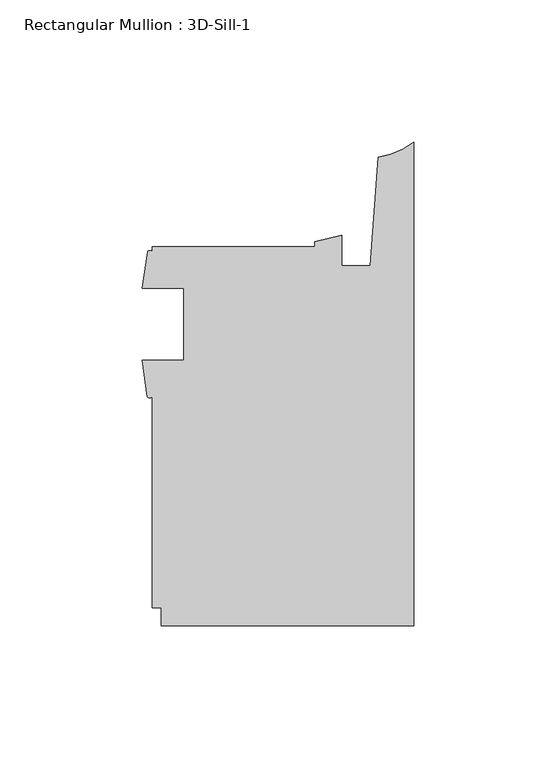
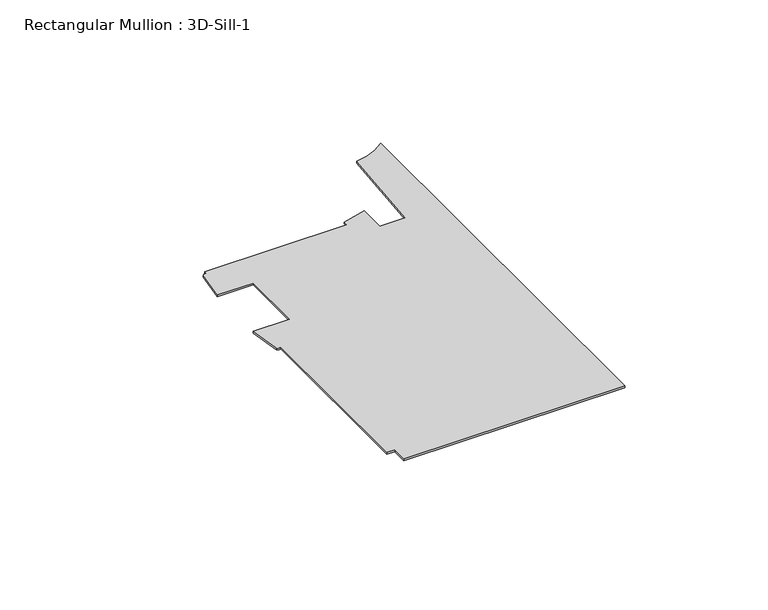
"""IFC4 building model written with IfcOpenShell, lengths in millimetres: member geometry, Rectangular Mullion : 3D-Sill-1."""

import ifcopenshell
import ifcopenshell.guid

model = None  # the IFC model being written
_history = None  # IfcOwnerHistory: only IFC2X3 demands one
_inside = {}  # id of a spatial element -> (the spatial element, [elements in it])
_under = {}  # id of a project, library or spatial element -> (it, [spatial elements below it])
_declared = {}  # id of a project -> (the project, [libraries it declares])
_typed = {}  # id of a type object -> (the type object, [elements of that type])
_made_of = {}  # id of a material, layer set ... -> (it, [elements and type objects made of it])


def new_model(schema):
    """Start an empty IFC model of exactly this schema.

    Asked for "IFC4X3", IfcOpenShell would pick the latest addendum, in which some entities
    have other attributes; the version numbers below select the first issue.
    IFC2X3 requires an IfcOwnerHistory on every rooted entity: one is made here for all.
    """
    global model, _history
    if schema == "IFC4X3":
        model = ifcopenshell.file(schema_version=(4, 3, 0, 0))
    else:
        model = ifcopenshell.file(schema=schema)
    _inside.clear()
    _under.clear()
    _declared.clear()
    _typed.clear()
    _made_of.clear()
    _history = None
    if model.schema == "IFC2X3":
        org = make("IfcOrganization", Name="unknown")
        user = make(
            "IfcPersonAndOrganization",
            ThePerson=make("IfcPerson", FamilyName="unknown"),
            TheOrganization=org,
        )
        app = make(
            "IfcApplication",
            ApplicationDeveloper=org,
            Version="unknown",
            ApplicationFullName="unknown",
            ApplicationIdentifier="unknown",
        )
        _history = make(
            "IfcOwnerHistory",
            OwningUser=user,
            OwningApplication=app,
            ChangeAction="ADDED",
            CreationDate=0,
        )
    return model


def make(cls, **values):
    """One entity of the class cls with the attributes given. An attribute that is None is left unset."""
    return model.create_entity(
        cls, **{name: value for name, value in values.items() if value is not None}
    )


def rooted(cls, **values):
    """An entity with a GlobalId (a new one), such as an element, a storey or a relation."""
    return make(cls, GlobalId=ifcopenshell.guid.new(), OwnerHistory=_history, **values)


def si_unit(unit_type, name, prefix=None):
    """IfcSIUnit, for example si_unit("LENGTHUNIT", "METRE", prefix="MILLI")."""
    return make("IfcSIUnit", UnitType=unit_type, Prefix=prefix, Name=name)


def assignment(units):
    """IfcUnitAssignment: the units of a project."""
    return None if units is None else make("IfcUnitAssignment", Units=units)


def point(xyz):
    """IfcCartesianPoint."""
    return None if xyz is None else make("IfcCartesianPoint", Coordinates=xyz)


def direction(xyz):
    """IfcDirection."""
    return None if xyz is None else make("IfcDirection", DirectionRatios=xyz)


def frame(location, z_axis=None, x_axis=None):
    """IfcAxis2Placement3D, a coordinate frame: its origin and axes. An axis left out is left unset."""
    return make(
        "IfcAxis2Placement3D",
        Location=point(location),
        Axis=direction(z_axis),
        RefDirection=direction(x_axis),
    )


def frame_2d(location, x_axis=None):
    """IfcAxis2Placement2D, a coordinate frame in the plane: its origin and x axis."""
    return make(
        "IfcAxis2Placement2D", Location=point(location), RefDirection=direction(x_axis)
    )


def origin():
    """The frame at (0, 0, 0) with its axes left unset."""
    return frame((0.0, 0.0, 0.0))


def place(relative_to, where):
    """IfcLocalPlacement: puts the frame where relative to a parent placement (None: the world)."""
    return make(
        "IfcLocalPlacement", PlacementRelTo=relative_to, RelativePlacement=where
    )


def context(
    kind, dimensions, precision=None, world=None, true_north=None, identifier=None
):
    """IfcGeometricRepresentationContext, for example the 3D "Model" context."""
    return make(
        "IfcGeometricRepresentationContext",
        ContextIdentifier=identifier,
        ContextType=kind,
        CoordinateSpaceDimension=dimensions,
        Precision=precision,
        WorldCoordinateSystem=world,
        TrueNorth=true_north,
    )


def project(units=None, contexts=None):
    """IfcProject with its units and contexts."""
    return rooted(
        "IfcProject",
        Name="project",
        RepresentationContexts=contexts,
        UnitsInContext=assignment(units),
    )


def spatial(cls, under=None, at=None, **own):
    """A site, building, storey or space (cls), placed at a placement, below another one or the project."""
    s = rooted(cls, ObjectPlacement=at, **own)
    if under is not None:
        _under.setdefault(under.id(), (under, []))[1].append(s)
    return s


def polyline(points):
    """IfcPolyline through the points."""
    return make("IfcPolyline", Points=[point(p) for p in points])


def circle_curve(where, radius):
    """IfcCircle in the frame where."""
    return make("IfcCircle", Position=where, Radius=radius)


def trimmed(basis, trim1, trim2, sense, master):
    """IfcTrimmedCurve: the piece of a basis curve between two trims."""
    return make(
        "IfcTrimmedCurve",
        BasisCurve=basis,
        Trim1=trim1,
        Trim2=trim2,
        SenseAgreement=sense,
        MasterRepresentation=master,
    )


def segment(curve, same_sense, transition):
    """IfcCompositeCurveSegment."""
    return make(
        "IfcCompositeCurveSegment",
        Transition=transition,
        SameSense=same_sense,
        ParentCurve=curve,
    )


def composite_curve(segments, self_intersect=None):
    """IfcCompositeCurve: segments joined end to end."""
    return make("IfcCompositeCurve", Segments=segments, SelfIntersect=self_intersect)


def outline(outer, holes=None, kind="AREA"):
    """IfcArbitraryClosedProfileDef: a profile drawn as a closed curve; with holes, ...WithVoids."""
    if holes is None:
        return make("IfcArbitraryClosedProfileDef", ProfileType=kind, OuterCurve=outer)
    return make(
        "IfcArbitraryProfileDefWithVoids",
        ProfileType=kind,
        OuterCurve=outer,
        InnerCurves=holes,
    )


def extrude(swept, where, along, depth):
    """IfcExtrudedAreaSolid: the profile swept, set in the frame where, extruded along a direction by depth."""
    return make(
        "IfcExtrudedAreaSolid",
        SweptArea=swept,
        Position=where,
        ExtrudedDirection=direction(along),
        Depth=depth,
    )


def shape(context_of_items, identifier, shape_type, items):
    """IfcShapeRepresentation: the items that make up one representation, for example the "Body"."""
    return make(
        "IfcShapeRepresentation",
        ContextOfItems=context_of_items,
        RepresentationIdentifier=identifier,
        RepresentationType=shape_type,
        Items=items,
    )


def source(mapping_origin, context_of_items, identifier, shape_type, items):
    """IfcRepresentationMap: a shape defined once, which mapped items show again and again."""
    return make(
        "IfcRepresentationMap",
        MappingOrigin=mapping_origin,
        MappedRepresentation=shape(context_of_items, identifier, shape_type, items),
    )


def transform(
    local_origin,
    x_axis=None,
    y_axis=None,
    z_axis=None,
    scale=None,
    scale2=None,
    scale3=None,
    uniform=True,
):
    """IfcCartesianTransformationOperator3D, or its non-uniform kind. x_axis, y_axis, z_axis: its Axis1, 2, 3."""
    if uniform:
        return make(
            "IfcCartesianTransformationOperator3D",
            Axis1=direction(x_axis),
            Axis2=direction(y_axis),
            LocalOrigin=point(local_origin),
            Scale=scale,
            Axis3=direction(z_axis),
        )
    return make(
        "IfcCartesianTransformationOperator3DnonUniform",
        Axis1=direction(x_axis),
        Axis2=direction(y_axis),
        LocalOrigin=point(local_origin),
        Scale=scale,
        Axis3=direction(z_axis),
        Scale2=scale2,
        Scale3=scale3,
    )


def mapped(mapping_source, mapping_target):
    """IfcMappedItem: shows the shape of a source again, moved by a transform."""
    return make(
        "IfcMappedItem", MappingSource=mapping_source, MappingTarget=mapping_target
    )


def made_of(thing, what):
    """Note that an element or type object is made of a material, layer set ...; save() writes the relation."""
    if what is not None:
        _made_of.setdefault(what.id(), (what, []))[1].append(thing)
    return thing


def element(
    cls,
    number,
    at=None,
    inside=None,
    cuts=None,
    type_object=None,
    material=None,
    context=None,
    identifier="Body",
    shape_type=None,
    held_by="IfcProductDefinitionShape",
    body=None,
    shapes=None,
    **own,
):
    """One element of the class cls, such as IfcWall. Its Tag is "e" and its number.

    at: its placement. inside: the storey or other place that contains it. cuts: it is an
    opening in that element (IfcRelVoidsElement). A single representation is given by context,
    identifier, shape_type and body (its items); several are given by shapes. held_by: the class
    of the entity that holds the representations. save() writes the other relations.
    """
    e = rooted(cls, Tag="e%d" % number, ObjectPlacement=at, **own)
    if body is not None:
        shapes = [shape(context, identifier, shape_type, body)]
    if shapes is not None:
        e.Representation = make(held_by, Representations=shapes)
    if inside is not None:
        _inside.setdefault(inside.id(), (inside, []))[1].append(e)
    if cuts is not None:
        rooted(
            "IfcRelVoidsElement", RelatingBuildingElement=cuts, RelatedOpeningElement=e
        )
    if type_object is not None:
        _typed.setdefault(type_object.id(), (type_object, []))[1].append(e)
    return made_of(e, material)


def aggregate(whole, parts):
    """IfcRelAggregates: a whole, such as a stair, and the parts it consists of."""
    return rooted("IfcRelAggregates", RelatingObject=whole, RelatedObjects=parts)


def save(model, path):
    """Write the relations noted so far, then the file.

    IfcRelAggregates (storeys below a building ...), IfcRelContainedInSpatialStructure (elements
    in a storey), IfcRelDefinesByType, IfcRelAssociatesMaterial and IfcRelDeclares: one each for
    every whole, place, type object, material and project.
    """
    for whole, parts in _under.values():
        aggregate(whole, parts)
    for where, things in _inside.values():
        rooted(
            "IfcRelContainedInSpatialStructure",
            RelatedElements=things,
            RelatingStructure=where,
        )
    for kind, things in _typed.values():
        rooted("IfcRelDefinesByType", RelatedObjects=things, RelatingType=kind)
    for what, things in _made_of.values():
        rooted("IfcRelAssociatesMaterial", RelatedObjects=things, RelatingMaterial=what)
    for by, libraries in _declared.values():
        rooted("IfcRelDeclares", RelatingContext=by, RelatedDefinitions=libraries)
    model.write(path)


def rectangular_mullion_3d_sill_1_08351905(model_context):
    return source(origin(), model_context, "Body", "SweptSolid", [
        extrude(outline(composite_curve([segment(trimmed(circle_curve(frame_2d((-92.9068292, 1.9651676)), 1.065983), [point((-92.075127, 1.2983909))], [point((-93.7385314, 1.2983909))], False, "CARTESIAN"), True, "CONTINUOUS"), segment(polyline([(-93.7385314, 1.2983909), (-95.5946487, 14.0714437), (-80.962627, 14.0714437), (-80.962627, 39.4714437), (-95.471127, 39.4714437), (-93.6610233, 52.2427313)]), True, "CONTINUOUS"), segment(trimmed(circle_curve(frame_2d((-92.8705885, 51.8025367)), 0.9047422), [point((-93.6610233, 52.2427313))], [point((-92.075127, 52.2335812))], False, "CARTESIAN"), True, "CONTINUOUS"), segment(polyline([(-92.075127, 52.2335812), (-92.075127, 53.9749687), (-34.925, 53.9749687), (-34.925, 55.706233), (-25.4, 58.1484157), (-25.4, 47.3577987), (-15.24, 47.3577987), (-12.5900978, 85.6123565)]), True, "CONTINUOUS"), segment(trimmed(circle_curve(frame_2d((-16.4585191, 112.6416656)), 27.3047292), [point((-12.5900978, 85.6123565))], [point((0.0, 90.8548488))], True, "CARTESIAN"), True, "CONTINUOUS"), segment(polyline([(0.0, 90.8548488), (0.0, -79.3749687), (-88.899973, -79.3749687), (-88.899973, -73.0250313), (-92.075127, -73.0250313), (-92.075127, 1.2983909)]), True, "CONTINUOUS")], self_intersect=False)), frame((0.0, 0.0, -0.79375), z_axis=(0.0, 0.0, 1.0), x_axis=(1.0, 0.0, 0.0)), (0.0, 0.0, 1.0), 0.79375),
    ])


if __name__ == "__main__":
    model = new_model("IFC4")
    model_context = context("Model", 3, world=origin())
    ifc_project = project(units=[si_unit("LENGTHUNIT", "METRE", prefix="MILLI")], contexts=[model_context])
    site = spatial("IfcSite", under=ifc_project)
    building = spatial("IfcBuilding", under=site)
    placement = place(None, origin())
    rectangular_mullion_3d_sill_1_shape = rectangular_mullion_3d_sill_1_08351905(model_context)
    element("IfcMember", 1, ObjectType="Rectangular Mullion : 3D-Sill-1", at=placement, inside=building, context=model_context, shape_type="MappedRepresentation", body=[
        mapped(rectangular_mullion_3d_sill_1_shape, transform((0.0, 0.0, 0.0), x_axis=(1.0, 0.0, 0.0), y_axis=(0.0, 1.0, 0.0), z_axis=(0.0, 0.0, 1.0))),
    ])
    save(model, "model.ifc")
